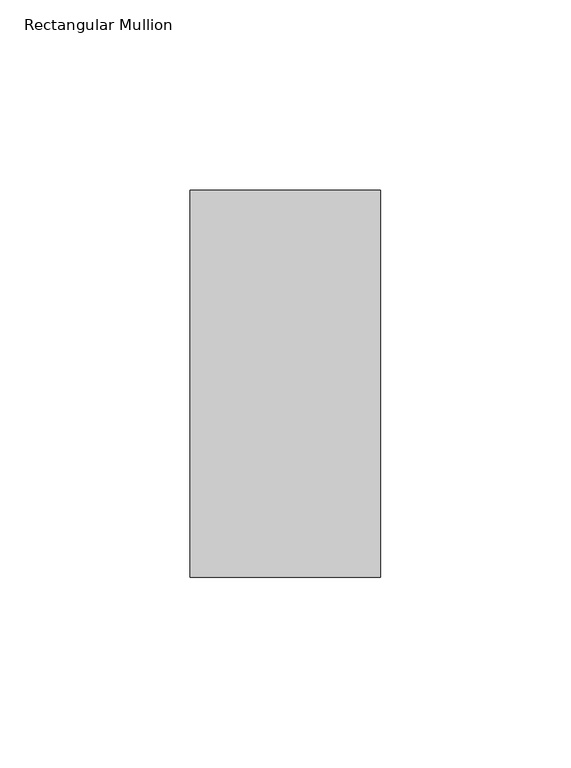
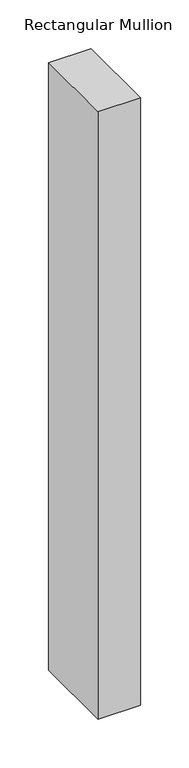
"""IFC4 building model written with IfcOpenShell, lengths in millimetres: member geometry, Rectangular Mullion."""

from ifc_helpers import new_model, si_unit, frame, origin, place, context, project, spatial, polyline, outline, extrude, source, transform, mapped, element, save


def rectangular_mullion_c941e921(model_context):
    return source(origin(), model_context, "Body", "SweptSolid", [
        extrude(outline(polyline([(0.0, 50.8), (0.0, -50.8), (-50.0, -50.8), (-50.0, 50.8), (0.0, 50.8)])), frame((0.0, 0.0, -760.0), z_axis=(0.0, 0.0, 1.0), x_axis=(1.0, 0.0, 0.0)), (0.0, 0.0, 1.0), 760.0),
    ])


if __name__ == "__main__":
    model = new_model("IFC4")
    model_context = context("Model", 3, world=origin())
    ifc_project = project(units=[si_unit("LENGTHUNIT", "METRE", prefix="MILLI")], contexts=[model_context])
    site = spatial("IfcSite", under=ifc_project)
    building = spatial("IfcBuilding", under=site)
    placement = place(None, origin())
    rectangular_mullion_shape = rectangular_mullion_c941e921(model_context)
    element("IfcMember", 1, ObjectType="Rectangular Mullion", at=placement, inside=building, context=model_context, shape_type="MappedRepresentation", body=[
        mapped(rectangular_mullion_shape, transform((0.0, 0.0, 0.0), x_axis=(1.0, 0.0, 0.0), y_axis=(0.0, 1.0, 0.0), z_axis=(0.0, 0.0, 1.0))),
    ])
    save(model, "model.ifc")
